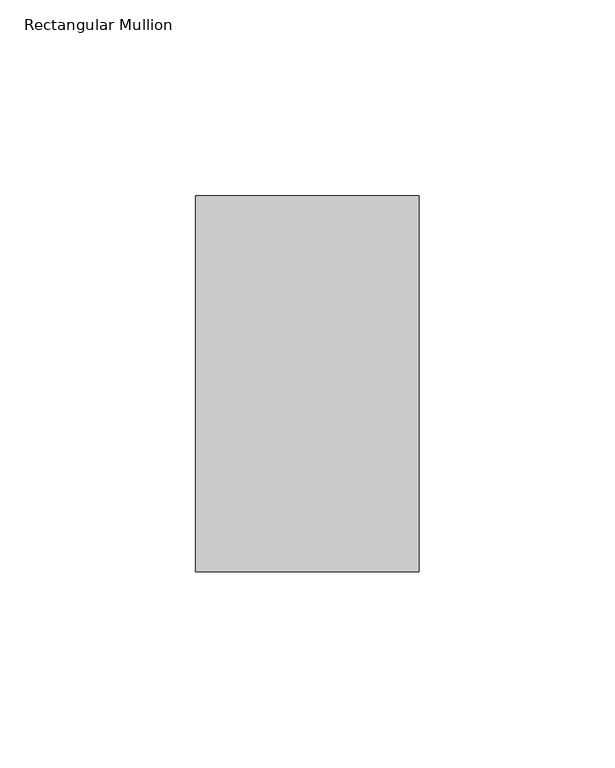
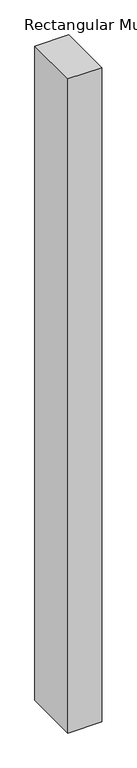
"""IFC4 building model written with IfcOpenShell, lengths in millimetres: member geometry, Rectangular Mullion."""

import ifcopenshell
import ifcopenshell.guid

model = None  # the IFC model being written
_history = None  # IfcOwnerHistory: only IFC2X3 demands one
_inside = {}  # id of a spatial element -> (the spatial element, [elements in it])
_under = {}  # id of a project, library or spatial element -> (it, [spatial elements below it])
_declared = {}  # id of a project -> (the project, [libraries it declares])
_typed = {}  # id of a type object -> (the type object, [elements of that type])
_made_of = {}  # id of a material, layer set ... -> (it, [elements and type objects made of it])


def new_model(schema):
    """Start an empty IFC model of exactly this schema.

    Asked for "IFC4X3", IfcOpenShell would pick the latest addendum, in which some entities
    have other attributes; the version numbers below select the first issue.
    IFC2X3 requires an IfcOwnerHistory on every rooted entity: one is made here for all.
    """
    global model, _history
    if schema == "IFC4X3":
        model = ifcopenshell.file(schema_version=(4, 3, 0, 0))
    else:
        model = ifcopenshell.file(schema=schema)
    _inside.clear()
    _under.clear()
    _declared.clear()
    _typed.clear()
    _made_of.clear()
    _history = None
    if model.schema == "IFC2X3":
        org = make("IfcOrganization", Name="unknown")
        user = make(
            "IfcPersonAndOrganization",
            ThePerson=make("IfcPerson", FamilyName="unknown"),
            TheOrganization=org,
        )
        app = make(
            "IfcApplication",
            ApplicationDeveloper=org,
            Version="unknown",
            ApplicationFullName="unknown",
            ApplicationIdentifier="unknown",
        )
        _history = make(
            "IfcOwnerHistory",
            OwningUser=user,
            OwningApplication=app,
            ChangeAction="ADDED",
            CreationDate=0,
        )
    return model


def make(cls, **values):
    """One entity of the class cls with the attributes given. An attribute that is None is left unset."""
    return model.create_entity(
        cls, **{name: value for name, value in values.items() if value is not None}
    )


def rooted(cls, **values):
    """An entity with a GlobalId (a new one), such as an element, a storey or a relation."""
    return make(cls, GlobalId=ifcopenshell.guid.new(), OwnerHistory=_history, **values)


def si_unit(unit_type, name, prefix=None):
    """IfcSIUnit, for example si_unit("LENGTHUNIT", "METRE", prefix="MILLI")."""
    return make("IfcSIUnit", UnitType=unit_type, Prefix=prefix, Name=name)


def assignment(units):
    """IfcUnitAssignment: the units of a project."""
    return None if units is None else make("IfcUnitAssignment", Units=units)


def point(xyz):
    """IfcCartesianPoint."""
    return None if xyz is None else make("IfcCartesianPoint", Coordinates=xyz)


def direction(xyz):
    """IfcDirection."""
    return None if xyz is None else make("IfcDirection", DirectionRatios=xyz)


def frame(location, z_axis=None, x_axis=None):
    """IfcAxis2Placement3D, a coordinate frame: its origin and axes. An axis left out is left unset."""
    return make(
        "IfcAxis2Placement3D",
        Location=point(location),
        Axis=direction(z_axis),
        RefDirection=direction(x_axis),
    )


def origin():
    """The frame at (0, 0, 0) with its axes left unset."""
    return frame((0.0, 0.0, 0.0))


def place(relative_to, where):
    """IfcLocalPlacement: puts the frame where relative to a parent placement (None: the world)."""
    return make(
        "IfcLocalPlacement", PlacementRelTo=relative_to, RelativePlacement=where
    )


def context(
    kind, dimensions, precision=None, world=None, true_north=None, identifier=None
):
    """IfcGeometricRepresentationContext, for example the 3D "Model" context."""
    return make(
        "IfcGeometricRepresentationContext",
        ContextIdentifier=identifier,
        ContextType=kind,
        CoordinateSpaceDimension=dimensions,
        Precision=precision,
        WorldCoordinateSystem=world,
        TrueNorth=true_north,
    )


def project(units=None, contexts=None):
    """IfcProject with its units and contexts."""
    return rooted(
        "IfcProject",
        Name="project",
        RepresentationContexts=contexts,
        UnitsInContext=assignment(units),
    )


def spatial(cls, under=None, at=None, **own):
    """A site, building, storey or space (cls), placed at a placement, below another one or the project."""
    s = rooted(cls, ObjectPlacement=at, **own)
    if under is not None:
        _under.setdefault(under.id(), (under, []))[1].append(s)
    return s


def polyline(points):
    """IfcPolyline through the points."""
    return make("IfcPolyline", Points=[point(p) for p in points])


def outline(outer, holes=None, kind="AREA"):
    """IfcArbitraryClosedProfileDef: a profile drawn as a closed curve; with holes, ...WithVoids."""
    if holes is None:
        return make("IfcArbitraryClosedProfileDef", ProfileType=kind, OuterCurve=outer)
    return make(
        "IfcArbitraryProfileDefWithVoids",
        ProfileType=kind,
        OuterCurve=outer,
        InnerCurves=holes,
    )


def extrude(swept, where, along, depth):
    """IfcExtrudedAreaSolid: the profile swept, set in the frame where, extruded along a direction by depth."""
    return make(
        "IfcExtrudedAreaSolid",
        SweptArea=swept,
        Position=where,
        ExtrudedDirection=direction(along),
        Depth=depth,
    )


def shape(context_of_items, identifier, shape_type, items):
    """IfcShapeRepresentation: the items that make up one representation, for example the "Body"."""
    return make(
        "IfcShapeRepresentation",
        ContextOfItems=context_of_items,
        RepresentationIdentifier=identifier,
        RepresentationType=shape_type,
        Items=items,
    )


def source(mapping_origin, context_of_items, identifier, shape_type, items):
    """IfcRepresentationMap: a shape defined once, which mapped items show again and again."""
    return make(
        "IfcRepresentationMap",
        MappingOrigin=mapping_origin,
        MappedRepresentation=shape(context_of_items, identifier, shape_type, items),
    )


def transform(
    local_origin,
    x_axis=None,
    y_axis=None,
    z_axis=None,
    scale=None,
    scale2=None,
    scale3=None,
    uniform=True,
):
    """IfcCartesianTransformationOperator3D, or its non-uniform kind. x_axis, y_axis, z_axis: its Axis1, 2, 3."""
    if uniform:
        return make(
            "IfcCartesianTransformationOperator3D",
            Axis1=direction(x_axis),
            Axis2=direction(y_axis),
            LocalOrigin=point(local_origin),
            Scale=scale,
            Axis3=direction(z_axis),
        )
    return make(
        "IfcCartesianTransformationOperator3DnonUniform",
        Axis1=direction(x_axis),
        Axis2=direction(y_axis),
        LocalOrigin=point(local_origin),
        Scale=scale,
        Axis3=direction(z_axis),
        Scale2=scale2,
        Scale3=scale3,
    )


def mapped(mapping_source, mapping_target):
    """IfcMappedItem: shows the shape of a source again, moved by a transform."""
    return make(
        "IfcMappedItem", MappingSource=mapping_source, MappingTarget=mapping_target
    )


def made_of(thing, what):
    """Note that an element or type object is made of a material, layer set ...; save() writes the relation."""
    if what is not None:
        _made_of.setdefault(what.id(), (what, []))[1].append(thing)
    return thing


def element(
    cls,
    number,
    at=None,
    inside=None,
    cuts=None,
    type_object=None,
    material=None,
    context=None,
    identifier="Body",
    shape_type=None,
    held_by="IfcProductDefinitionShape",
    body=None,
    shapes=None,
    **own,
):
    """One element of the class cls, such as IfcWall. Its Tag is "e" and its number.

    at: its placement. inside: the storey or other place that contains it. cuts: it is an
    opening in that element (IfcRelVoidsElement). A single representation is given by context,
    identifier, shape_type and body (its items); several are given by shapes. held_by: the class
    of the entity that holds the representations. save() writes the other relations.
    """
    e = rooted(cls, Tag="e%d" % number, ObjectPlacement=at, **own)
    if body is not None:
        shapes = [shape(context, identifier, shape_type, body)]
    if shapes is not None:
        e.Representation = make(held_by, Representations=shapes)
    if inside is not None:
        _inside.setdefault(inside.id(), (inside, []))[1].append(e)
    if cuts is not None:
        rooted(
            "IfcRelVoidsElement", RelatingBuildingElement=cuts, RelatedOpeningElement=e
        )
    if type_object is not None:
        _typed.setdefault(type_object.id(), (type_object, []))[1].append(e)
    return made_of(e, material)


def aggregate(whole, parts):
    """IfcRelAggregates: a whole, such as a stair, and the parts it consists of."""
    return rooted("IfcRelAggregates", RelatingObject=whole, RelatedObjects=parts)


def save(model, path):
    """Write the relations noted so far, then the file.

    IfcRelAggregates (storeys below a building ...), IfcRelContainedInSpatialStructure (elements
    in a storey), IfcRelDefinesByType, IfcRelAssociatesMaterial and IfcRelDeclares: one each for
    every whole, place, type object, material and project.
    """
    for whole, parts in _under.values():
        aggregate(whole, parts)
    for where, things in _inside.values():
        rooted(
            "IfcRelContainedInSpatialStructure",
            RelatedElements=things,
            RelatingStructure=where,
        )
    for kind, things in _typed.values():
        rooted("IfcRelDefinesByType", RelatedObjects=things, RelatingType=kind)
    for what, things in _made_of.values():
        rooted("IfcRelAssociatesMaterial", RelatedObjects=things, RelatingMaterial=what)
    for by, libraries in _declared.values():
        rooted("IfcRelDeclares", RelatingContext=by, RelatedDefinitions=libraries)
    model.write(path)


def rectangular_mullion_edd913f3(model_context):
    return source(origin(), model_context, "Body", "SweptSolid", [
        extrude(outline(polyline([(28.575, 152.765125), (28.575, 56.753125), (-28.575, 56.753125), (-28.575, 152.765125), (28.575, 152.765125)])), frame((0.0, 0.0, -1162.05), z_axis=(0.0, 0.0, 1.0), x_axis=(1.0, 0.0, 0.0)), (0.0, 0.0, 1.0), 1162.05),
    ])


if __name__ == "__main__":
    model = new_model("IFC4")
    model_context = context("Model", 3, world=origin())
    ifc_project = project(units=[si_unit("LENGTHUNIT", "METRE", prefix="MILLI")], contexts=[model_context])
    site = spatial("IfcSite", under=ifc_project)
    building = spatial("IfcBuilding", under=site)
    placement = place(None, origin())
    rectangular_mullion_shape = rectangular_mullion_edd913f3(model_context)
    element("IfcMember", 1, ObjectType="Rectangular Mullion", at=placement, inside=building, context=model_context, shape_type="MappedRepresentation", body=[
        mapped(rectangular_mullion_shape, transform((0.0, 0.0, 0.0), x_axis=(1.0, 0.0, 0.0), y_axis=(0.0, 1.0, 0.0), z_axis=(0.0, 0.0, 1.0))),
    ])
    save(model, "model.ifc")
